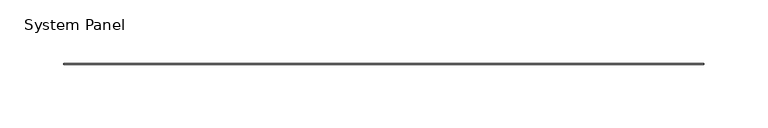
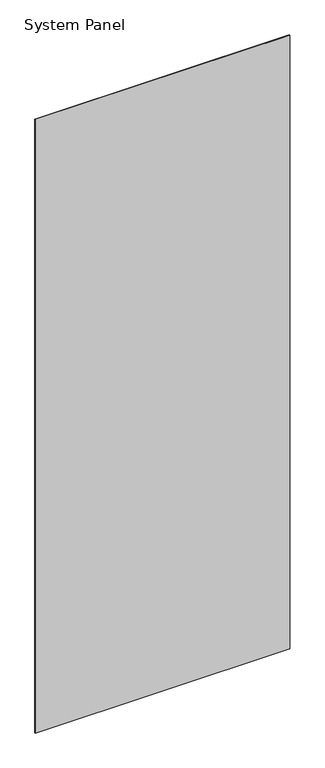
"""IFC4 building model written with IfcOpenShell, lengths in millimetres: plate geometry, System Panel."""

from ifc_helpers import new_model, si_unit, origin, origin_with_axes, place, context, project, spatial, polyline, outline, extrude, source, transform, mapped, element, save


def system_panel_a59c1b17(model_context):
    return source(origin(), model_context, "Body", "SweptSolid", [
        extrude(outline(polyline([(252.2855, -0.396875), (-252.2855, -0.396875), (-252.2855, 0.396875), (252.2855, 0.396875), (252.2855, -0.396875)])), origin_with_axes(), (0.0, 0.0, 1.0), 1285.875),
    ])


if __name__ == "__main__":
    model = new_model("IFC4")
    model_context = context("Model", 3, world=origin())
    ifc_project = project(units=[si_unit("LENGTHUNIT", "METRE", prefix="MILLI")], contexts=[model_context])
    site = spatial("IfcSite", under=ifc_project)
    building = spatial("IfcBuilding", under=site)
    placement = place(None, origin())
    system_panel_shape = system_panel_a59c1b17(model_context)
    element("IfcPlate", 1, ObjectType="System Panel", at=placement, inside=building, context=model_context, shape_type="MappedRepresentation", body=[
        mapped(system_panel_shape, transform((0.0, 0.0, 0.0), x_axis=(1.0, 0.0, 0.0), y_axis=(0.0, 1.0, 0.0), z_axis=(0.0, 0.0, 1.0))),
    ])
    save(model, "model.ifc")
